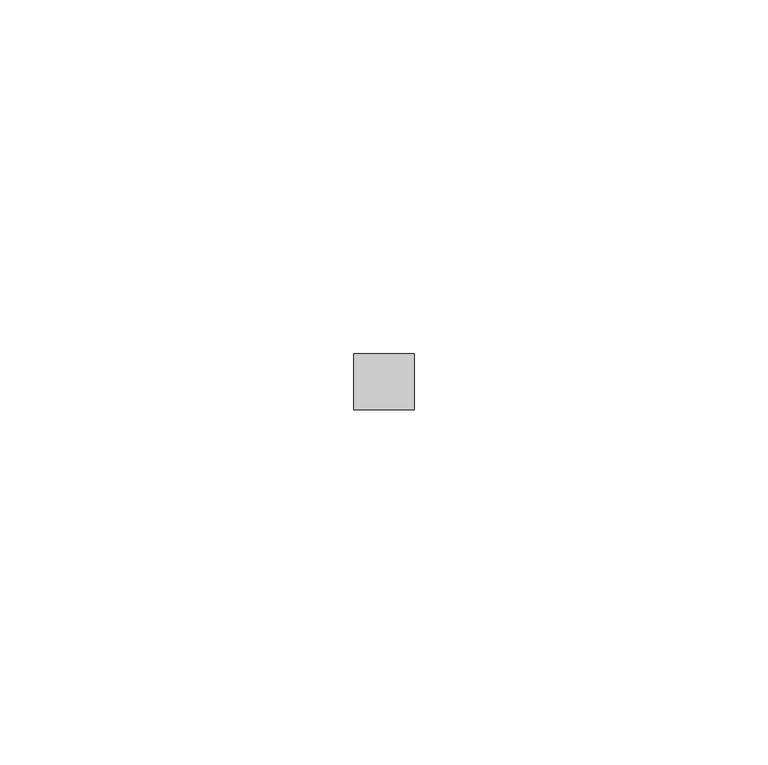
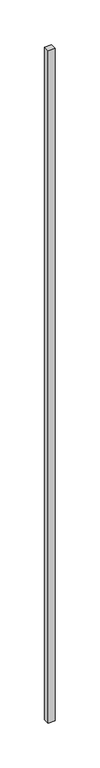
"""IFC4 building model written with IfcOpenShell, lengths in millimetres: proxy geometry."""

from ifc_helpers import new_model, si_unit, frame, origin, place, context, project, spatial, polyline, outline, extrude, source, transform, mapped, element, save


def generic_models_8e981fe8(model_context):
    return source(origin(), model_context, "Body", "SweptSolid", [
        extrude(outline(polyline([(37221.1214168, -23742.2677965), (37221.1214168, -23734.3186125), (37229.7035688, -23734.3186125), (37229.7035688, -23742.2677965), (37221.1214168, -23742.2677965)])), frame((0.0, 0.0, 1524.0), z_axis=(0.0, 0.0, 1.0), x_axis=(1.0, 0.0, 0.0)), (0.0, 0.0, 1.0), 914.4),
    ])


if __name__ == "__main__":
    model = new_model("IFC4")
    model_context = context("Model", 3, world=origin())
    ifc_project = project(units=[si_unit("LENGTHUNIT", "METRE", prefix="MILLI")], contexts=[model_context])
    site = spatial("IfcSite", under=ifc_project)
    building = spatial("IfcBuilding", under=site)
    placement = place(None, origin())
    generic_models_shape = generic_models_8e981fe8(model_context)
    element("IfcBuildingElementProxy", 1, Name="Generic Models", at=placement, inside=building, context=model_context, shape_type="MappedRepresentation", body=[
        mapped(generic_models_shape, transform((0.0, 0.0, 0.0), x_axis=(1.0, 0.0, 0.0), y_axis=(0.0, 1.0, 0.0), z_axis=(0.0, 0.0, 1.0))),
    ])
    save(model, "model.ifc")
